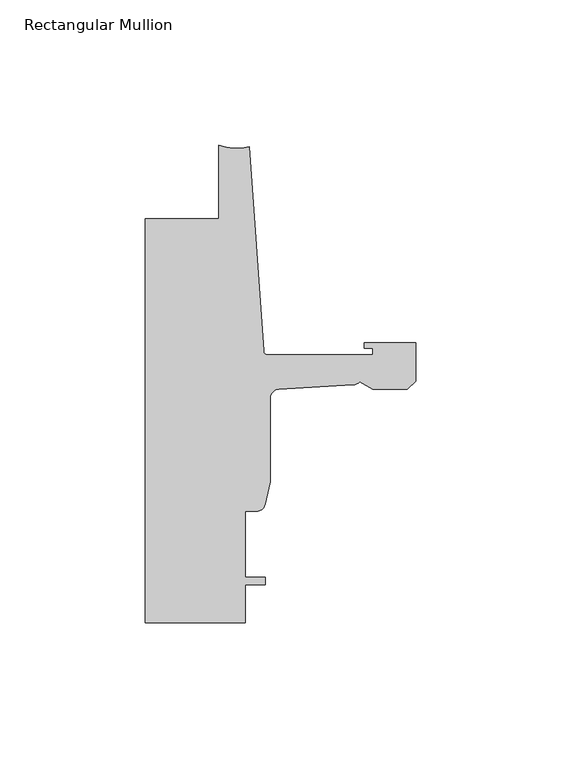
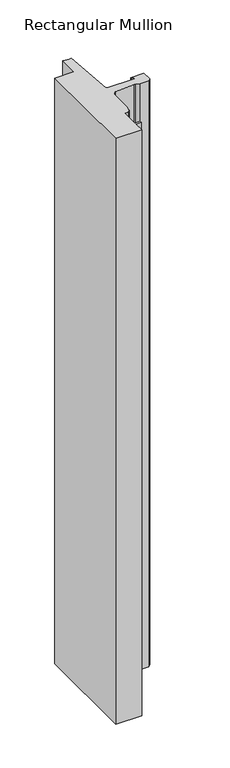
"""IFC4 building model written with IfcOpenShell, lengths in millimetres: member geometry, Rectangular Mullion."""

from ifc_helpers import new_model, si_unit, point, frame, frame_2d, origin, place, context, project, spatial, polyline, circle_curve, trimmed, segment, composite_curve, outline, extrude, source, transform, mapped, element, save


def rectangular_mullion_820e2e99(model_context):
    return source(origin(), model_context, "Body", "SweptSolid", [
        extrude(outline(composite_curve([segment(polyline([(-93.2286109, -12.7), (-67.8287241, -12.7), (-67.8287241, 12.7004525)]), True, "CONTINUOUS"), segment(trimmed(circle_curve(frame_2d((-61.5737839, 28.2335325)), 16.7451739), [point((-67.8287241, 12.7004525))], [point((-57.2987656, 12.0432555))], True, "CARTESIAN"), True, "CONTINUOUS"), segment(polyline([(-57.2987656, 12.0432555), (-52.3871825, -58.1956563)]), True, "CONTINUOUS"), segment(trimmed(circle_curve(frame_2d((-50.8668948, -58.0893475)), 1.524), [point((-52.3871825, -58.1956563))], [point((-50.8668948, -59.6133475))], True, "CARTESIAN"), True, "CONTINUOUS"), segment(polyline([(-50.8668948, -59.6133475), (-14.783487, -59.6133475), (-14.783487, -57.2765474), (-17.6377748, -57.2765474), (-17.6377748, -55.4985474), (0.0, -55.4985474), (0.0, -68.6550602), (-2.845487, -71.5005472), (-14.7368542, -71.5005472), (-19.2689815, -68.8839223)]), True, "CONTINUOUS"), segment(trimmed(circle_curve(frame_2d((-21.6202542, -66.7503474)), 3.175), [point((-19.2689815, -68.8839223))], [point((-21.6202542, -69.9253474))], False, "CARTESIAN"), True, "CONTINUOUS"), segment(polyline([(-21.6202542, -69.9253474), (-47.0897067, -71.4433707)]), True, "CONTINUOUS"), segment(trimmed(circle_curve(frame_2d((-46.9265, -74.6141732)), 3.175), [point((-47.0897067, -71.4433707))], [point((-50.1015, -74.6141732))], True, "CARTESIAN"), True, "CONTINUOUS"), segment(polyline([(-50.1015, -74.6141732), (-50.1015, -103.3256605), (-51.8795003, -110.9077484)]), True, "CONTINUOUS"), segment(trimmed(circle_curve(frame_2d((-54.4195002, -110.9077484)), 2.5399999), [point((-51.8795003, -110.9077484))], [point((-54.4195002, -113.4477483))], False, "CARTESIAN"), True, "CONTINUOUS"), segment(polyline([(-54.4195002, -113.4477483), (-58.7375, -113.4477483), (-58.7375, -136.3077483), (-51.8795003, -136.3077483), (-51.8795003, -138.8477483), (-58.7375, -138.8477483), (-58.7375, -151.8915475), (-93.2286109, -151.8915475), (-93.2286109, -12.7)]), True, "CONTINUOUS")], self_intersect=False)), frame((0.0, 0.0, -819.150004), z_axis=(0.0, 0.0, 1.0), x_axis=(1.0, 0.0, 0.0)), (0.0, 0.0, 1.0), 819.150004),
    ])


if __name__ == "__main__":
    model = new_model("IFC4")
    model_context = context("Model", 3, world=origin())
    ifc_project = project(units=[si_unit("LENGTHUNIT", "METRE", prefix="MILLI")], contexts=[model_context])
    site = spatial("IfcSite", under=ifc_project)
    building = spatial("IfcBuilding", under=site)
    placement = place(None, origin())
    rectangular_mullion_shape = rectangular_mullion_820e2e99(model_context)
    element("IfcMember", 1, ObjectType="Rectangular Mullion", at=placement, inside=building, context=model_context, shape_type="MappedRepresentation", body=[
        mapped(rectangular_mullion_shape, transform((0.0, 0.0, 0.0), x_axis=(1.0, 0.0, 0.0), y_axis=(0.0, 1.0, 0.0), z_axis=(0.0, 0.0, 1.0))),
    ])
    save(model, "model.ifc")
